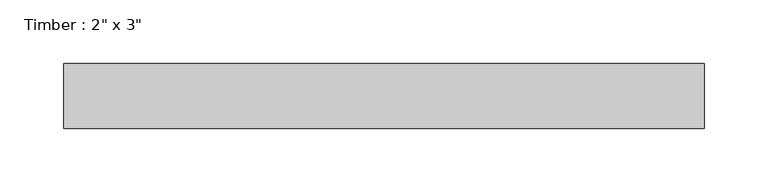
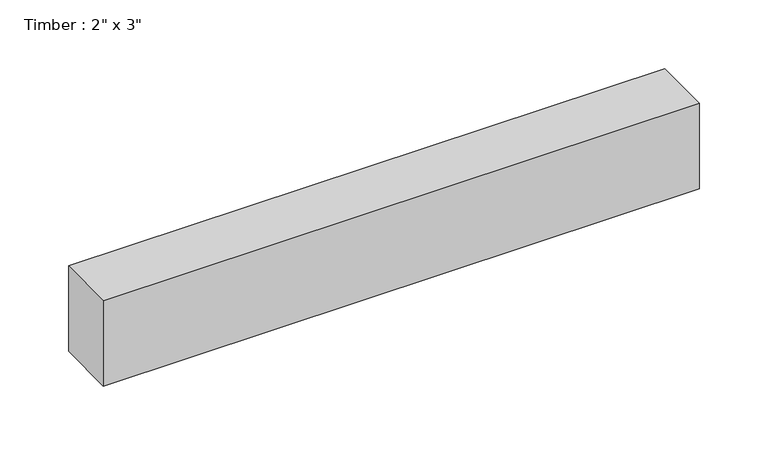
"""IFC4 building model written with IfcOpenShell, lengths in millimetres: beam geometry."""

from ifc_helpers import new_model, si_unit, frame, origin, place, context, project, spatial, polyline, outline, extrude, source, transform, mapped, element, save


def beam_e388499f(model_context):
    return source(origin(), model_context, "Body", "SweptSolid", [
        extrude(outline(polyline([(251.1286904, 25.4), (251.1286904, -25.4), (-251.1286904, -25.4), (-251.1286904, 25.4), (251.1286904, 25.4)])), frame((0.0, 0.0, -38.1), z_axis=(0.0, 0.0, 1.0), x_axis=(1.0, 0.0, 0.0)), (0.0, 0.0, 1.0), 76.2),
    ])


if __name__ == "__main__":
    model = new_model("IFC4")
    model_context = context("Model", 3, world=origin())
    ifc_project = project(units=[si_unit("LENGTHUNIT", "METRE", prefix="MILLI")], contexts=[model_context])
    site = spatial("IfcSite", under=ifc_project)
    building = spatial("IfcBuilding", under=site)
    placement = place(None, origin())
    beam_shape = beam_e388499f(model_context)
    element("IfcBeam", 1, ObjectType="Timber : 2\" x 3\"", at=placement, inside=building, context=model_context, shape_type="MappedRepresentation", body=[
        mapped(beam_shape, transform((0.0, 0.0, 0.0), x_axis=(1.0, 0.0, 0.0), y_axis=(0.0, 1.0, 0.0), z_axis=(0.0, 0.0, 1.0))),
    ])
    save(model, "model.ifc")
